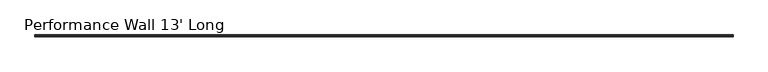
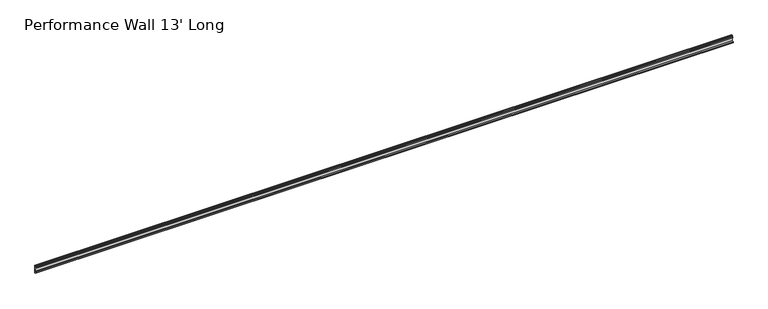
"""IFC4 building model written with IfcOpenShell, lengths in millimetres: furniture geometry, Performance Wall 13' Long."""

from ifc_helpers import new_model, si_unit, frame, origin, place, context, project, spatial, polyline, outline, extrude, source, transform, mapped, element, save


def performance_wall_13_long_10fb2ace(model_context):
    return source(origin(), model_context, "Body", "SweptSolid", [
        extrude(outline(polyline([(0.0, 1981.2), (-3.0801413, 1981.1982663), (-3.0837154, 1987.5482653), (-11.5351723, 1987.5435084), (-11.5387464, 1993.8935074), (-3.0872896, 1993.8982643), (-3.0983255, 2013.5053275), (-7.581033, 2013.5028044), (-7.5846072, 2019.8528034), (-3.1018996, 2019.8553265), (-3.1054738, 2026.2053255), (-0.0253325, 2026.2070592), (0.0, 1981.2)])), frame((41.91, 0.0, 0.0), z_axis=(1.0, 0.0, 0.0), x_axis=(0.0, 1.0, 0.0)), (0.0, 0.0, 1.0), 3878.58),
    ])


if __name__ == "__main__":
    model = new_model("IFC4")
    model_context = context("Model", 3, world=origin())
    ifc_project = project(units=[si_unit("LENGTHUNIT", "METRE", prefix="MILLI")], contexts=[model_context])
    site = spatial("IfcSite", under=ifc_project)
    building = spatial("IfcBuilding", under=site)
    placement = place(None, origin())
    performance_wall_13_long_shape = performance_wall_13_long_10fb2ace(model_context)
    element("IfcFurniture", 1, ObjectType="Performance Wall 13' Long", at=placement, inside=building, context=model_context, shape_type="MappedRepresentation", body=[
        mapped(performance_wall_13_long_shape, transform((0.0, 0.0, 0.0), x_axis=(1.0, 0.0, 0.0), y_axis=(0.0, 1.0, 0.0), z_axis=(0.0, 0.0, 1.0))),
    ])
    save(model, "model.ifc")
